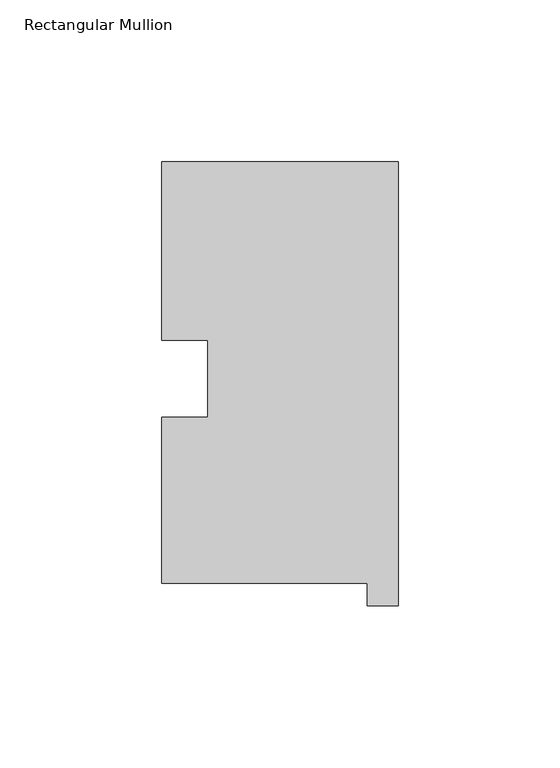
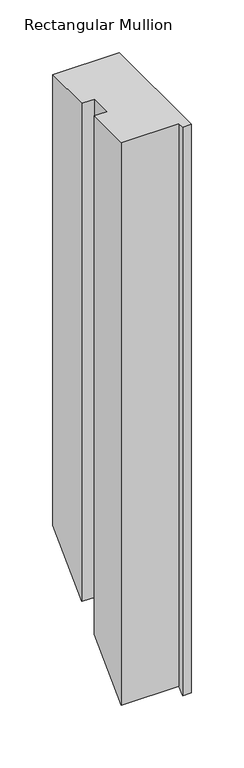
"""IFC4 building model written with IfcOpenShell, lengths in millimetres: member geometry, Rectangular Mullion."""

from ifc_helpers import new_model, si_unit, origin, place, context, project, spatial, faceted_brep, source, transform, mapped, element, save


def rectangular_mullion_e120ab62(model_context):
    return source(origin(), model_context, "Body", "Brep", [
        faceted_brep([(-73.025, 130.56235, 0.0), (-73.025, 75.40625, 0.0), (-58.785125, 75.40625, 0.0), (-58.785125, 51.60645, 0.0), (-73.025, 51.60645, 0.0), (-73.025, 0.26035, 0.0), (-9.525, 0.26035, 0.0), (-9.525, -6.64845, 0.0), (0.0, -6.64845, 0.0), (0.0, 130.56235, 0.0), (-73.025, 130.56235, -523.48765), (-73.025, 75.40625, -578.64375), (-58.785125, 75.40625, -578.64375), (-58.785125, 51.60645, -602.44355), (-73.025, 51.60645, -602.44355), (-73.025, 0.26035, -653.78965), (-9.525, 0.26035, -653.78965), (-9.525, -6.64845, -660.69845), (0.0, -6.64845, -660.69845), (0.0, 130.56235, -523.48765)], [[[0, 1, 2, 3, 4, 5, 6, 7, 8, 9]], [[1, 0, 10, 11]], [[2, 1, 11, 12]], [[3, 2, 12, 13]], [[4, 3, 13, 14]], [[5, 4, 14, 15]], [[6, 5, 15, 16]], [[7, 6, 16, 17]], [[8, 7, 17, 18]], [[9, 8, 18, 19]], [[0, 9, 19, 10]], [[10, 19, 18, 17, 16, 15, 14, 13, 12, 11]]]),
    ])


if __name__ == "__main__":
    model = new_model("IFC4")
    model_context = context("Model", 3, world=origin())
    ifc_project = project(units=[si_unit("LENGTHUNIT", "METRE", prefix="MILLI")], contexts=[model_context])
    site = spatial("IfcSite", under=ifc_project)
    building = spatial("IfcBuilding", under=site)
    placement = place(None, origin())
    rectangular_mullion_shape = rectangular_mullion_e120ab62(model_context)
    element("IfcMember", 1, ObjectType="Rectangular Mullion", at=placement, inside=building, context=model_context, shape_type="MappedRepresentation", body=[
        mapped(rectangular_mullion_shape, transform((0.0, 0.0, 0.0), x_axis=(1.0, 0.0, 0.0), y_axis=(0.0, 1.0, 0.0), z_axis=(0.0, 0.0, 1.0))),
    ])
    save(model, "model.ifc")
